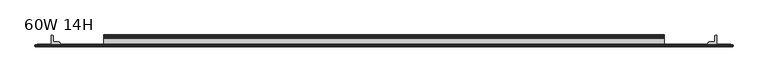
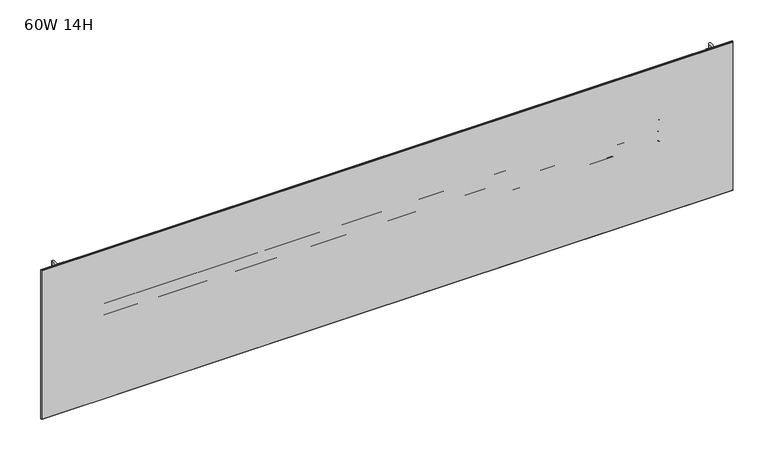
"""IFC4 building model written with IfcOpenShell, lengths in millimetres: furniture geometry, 60W 14H."""

from ifc_helpers import new_model, si_unit, point, frame, frame_2d, origin, place, context, project, spatial, polyline, circle_curve, trimmed, segment, composite_curve, outline, extrude, faceted_brep, source, transform, mapped, element, save


def furniture_60w_14h_a42dd42c(model_context):
    return source(origin(), model_context, "Body", "SolidModel", [
        extrude(outline(composite_curve([segment(polyline([(-5.2324, 1512.9838044), (-5.2324, 1534.1023302)]), True, "CONTINUOUS"), segment(trimmed(circle_curve(frame_2d((-4.677496, 1534.1023302)), 0.554904), [point((-5.2324, 1534.1023302))], [point((-4.5338691, 1534.6383245))], False, "CARTESIAN"), True, "CONTINUOUS"), segment(polyline([(-4.5338691, 1534.6383245), (-3.3274001, 1534.3150349), (-2.3976956, 1533.3853678), (-2.0574001, 1532.1153145), (-2.0574001, 1519.3455299)]), True, "CONTINUOUS"), segment(trimmed(circle_curve(frame_2d((-1.4921701, 1519.3455299)), 0.5652299), [point((-2.0574001, 1519.3455299))], [point((-1.4921701, 1518.7803))], True, "CARTESIAN"), True, "CONTINUOUS"), segment(polyline([(-1.4921701, 1518.7803), (0.5143951, 1518.7803)]), True, "CONTINUOUS"), segment(trimmed(circle_curve(frame_2d((0.5143951, 1518.1770951)), 0.6032049), [point((0.5143951, 1518.7803))], [point((1.1176, 1518.1770951))], False, "CARTESIAN"), True, "CONTINUOUS"), segment(polyline([(1.1176, 1518.1770951), (1.1176, 1487.0624914)]), True, "CONTINUOUS"), segment(trimmed(circle_curve(frame_2d((0.6637885, 1489.7516964)), 2.7272272), [point((1.1176, 1487.0624914))], [point((-2.0574001, 1489.5703097))], False, "CARTESIAN"), True, "CONTINUOUS"), segment(polyline([(-2.0574001, 1489.5703097), (-2.0574001, 1511.8860586)]), True, "CONTINUOUS"), segment(trimmed(circle_curve(frame_2d((-2.6016657, 1511.8860586)), 0.5442657), [point((-2.0574001, 1511.8860586))], [point((-2.6016657, 1512.4303242))], True, "CARTESIAN"), True, "CONTINUOUS"), segment(polyline([(-2.6016657, 1512.4303242), (-4.6789199, 1512.4303242)]), True, "CONTINUOUS"), segment(trimmed(circle_curve(frame_2d((-4.6789199, 1512.9838044)), 0.5534801), [point((-4.6789199, 1512.4303242))], [point((-5.2324, 1512.9838044))], False, "CARTESIAN"), True, "CONTINUOUS")], self_intersect=False)), frame((152.4, 0.0, 0.0), z_axis=(1.0, 0.0, 0.0), x_axis=(0.0, 1.0, 0.0)), (0.0, 0.0, 1.0), 1219.2),
        extrude(outline(composite_curve([segment(polyline([(-7.1373999, 1566.4053), (-4.5974, 1565.7247456), (-2.7379909, 1563.8653388), (-2.0574001, 1561.3253048), (-2.0574001, 1539.711622)]), True, "CONTINUOUS"), segment(trimmed(circle_curve(frame_2d((-1.4969277, 1539.711622)), 0.5604724), [point((-2.0574001, 1539.711622))], [point((-1.4969277, 1539.1511496))], True, "CARTESIAN"), True, "CONTINUOUS"), segment(polyline([(-1.4969277, 1539.1511496), (0.4039455, 1539.1511496)]), True, "CONTINUOUS"), segment(trimmed(circle_curve(frame_2d((0.4039455, 1538.4374952)), 0.7136544), [point((0.4039455, 1539.1511496))], [point((1.1176, 1538.4374952))], False, "CARTESIAN"), True, "CONTINUOUS"), segment(polyline([(1.1176, 1538.4374952), (1.1176, 1520.0813562)]), True, "CONTINUOUS"), segment(trimmed(circle_curve(frame_2d((0.4746932, 1520.0813562)), 0.6429068), [point((1.1176, 1520.0813562))], [point((-0.1003385, 1519.7938364))], False, "CARTESIAN"), True, "CONTINUOUS"), segment(polyline([(-0.1003385, 1519.7938364), (-1.8183367, 1523.2297852)]), True, "CONTINUOUS"), segment(trimmed(circle_curve(frame_2d((0.2069874, 1524.2424613)), 2.2643874), [point((-1.8183367, 1523.2297852))], [point((-2.0574001, 1524.2424613))], False, "CARTESIAN"), True, "CONTINUOUS"), segment(polyline([(-2.0574001, 1524.2424613), (-2.0574001, 1533.9181396)]), True, "CONTINUOUS"), segment(trimmed(circle_curve(frame_2d((-2.7946089, 1533.9181396)), 0.7372088), [point((-2.0574001, 1533.9181396))], [point((-2.7946089, 1534.6553484))], True, "CARTESIAN"), True, "CONTINUOUS"), segment(polyline([(-2.7946089, 1534.6553484), (-19.4564001, 1534.6553484), (-19.4564001, 1566.4053), (-7.1373999, 1566.4053)]), True, "CONTINUOUS")], self_intersect=False), holes=[composite_curve([segment(trimmed(circle_curve(frame_2d((-13.0222745, 1561.114213)), 2.7511257), [point((-13.0222745, 1563.8653388))], [point((-15.7734002, 1561.114213))], True, "CARTESIAN"), True, "CONTINUOUS"), segment(polyline([(-15.7734002, 1561.114213), (-15.7734002, 1539.7793649)]), True, "CONTINUOUS"), segment(trimmed(circle_curve(frame_2d((-13.189345, 1539.7793649)), 2.5840552), [point((-15.7734002, 1539.7793649))], [point((-13.189345, 1537.1953097))], True, "CARTESIAN"), True, "CONTINUOUS"), segment(polyline([(-13.189345, 1537.1953097), (-7.4218653, 1537.1953097)]), True, "CONTINUOUS"), segment(trimmed(circle_curve(frame_2d((-7.4218653, 1540.0197749)), 2.8244652), [point((-7.4218653, 1537.1953097))], [point((-4.5974, 1540.0197749))], True, "CARTESIAN"), True, "CONTINUOUS"), segment(polyline([(-4.5974, 1540.0197749), (-4.5974, 1561.188195)]), True, "CONTINUOUS"), segment(trimmed(circle_curve(frame_2d((-7.2745438, 1561.188195)), 2.6771438), [point((-4.5974, 1561.188195))], [point((-7.2745438, 1563.8653388))], True, "CARTESIAN"), True, "CONTINUOUS"), segment(polyline([(-7.2745438, 1563.8653388), (-13.0222745, 1563.8653388)]), True, "CONTINUOUS")], self_intersect=False)]), frame((152.4, 0.0, 0.0), z_axis=(1.0, 0.0, 0.0), x_axis=(0.0, 1.0, 0.0)), (0.0, 0.0, 1.0), 1219.2),
        extrude(outline(composite_curve([segment(trimmed(circle_curve(frame_2d((1485.3524764, -18.9088765)), 0.5475236), [point((1485.9, -18.9088765))], [point((1485.3524764, -19.4564001))], False, "CARTESIAN"), True, "CONTINUOUS"), segment(polyline([(1485.3524764, -19.4564001), (1467.4113866, -19.4564001)]), True, "CONTINUOUS"), segment(trimmed(circle_curve(frame_2d((1467.4113866, -18.8950135)), 0.5613866), [point((1467.4113866, -19.4564001))], [point((1466.85, -18.8950135))], False, "CARTESIAN"), True, "CONTINUOUS"), segment(polyline([(1466.85, -18.8950135), (1466.85, -16.8669745)]), True, "CONTINUOUS"), segment(trimmed(circle_curve(frame_2d((1469.4294745, -16.8669745)), 2.5794745), [point((1466.85, -16.8669745))], [point((1469.4294745, -14.2875))], False, "CARTESIAN"), True, "CONTINUOUS"), segment(polyline([(1469.4294745, -14.2875), (1480.4787912, -14.2875)]), True, "CONTINUOUS"), segment(trimmed(circle_curve(frame_2d((1480.4787912, -13.6414903)), 0.6460097), [point((1480.4787912, -14.2875))], [point((1481.1248009, -13.6414903))], True, "CARTESIAN"), True, "CONTINUOUS"), segment(polyline([(1481.1248009, -13.6414903), (1481.1248009, -2.768893)]), True, "CONTINUOUS"), segment(trimmed(circle_curve(frame_2d((1483.8936939, -2.768893)), 2.768893), [point((1481.1248009, -2.768893))], [point((1483.8936939, 0.0))], False, "CARTESIAN"), True, "CONTINUOUS"), segment(polyline([(1483.8936939, 0.0), (1485.3082199, 0.0)]), True, "CONTINUOUS"), segment(trimmed(circle_curve(frame_2d((1485.3082199, -0.5917801)), 0.5917801), [point((1485.3082199, 0.0))], [point((1485.9, -0.5917801))], False, "CARTESIAN"), True, "CONTINUOUS"), segment(polyline([(1485.9, -0.5917801), (1485.9, -18.9088765)]), True, "CONTINUOUS")], self_intersect=False)), frame((0.0, 0.0, 1362.329), z_axis=(0.0, 0.0, 1.0), x_axis=(1.0, 0.0, 0.0)), (0.0, 0.0, 1.0), 336.5373),
        extrude(outline(composite_curve([segment(polyline([(38.1, -18.9088765), (38.1, -0.5917801)]), True, "CONTINUOUS"), segment(trimmed(circle_curve(frame_2d((38.6917801, -0.5917801)), 0.5917801), [point((38.1, -0.5917801))], [point((38.6917801, 0.0))], False, "CARTESIAN"), True, "CONTINUOUS"), segment(polyline([(38.6917801, 0.0), (40.1063061, 0.0)]), True, "CONTINUOUS"), segment(trimmed(circle_curve(frame_2d((40.1063061, -2.768893)), 2.768893), [point((40.1063061, 0.0))], [point((42.8751991, -2.768893))], False, "CARTESIAN"), True, "CONTINUOUS"), segment(polyline([(42.8751991, -2.768893), (42.8751991, -13.6414903)]), True, "CONTINUOUS"), segment(trimmed(circle_curve(frame_2d((43.5212088, -13.6414903)), 0.6460097), [point((42.8751991, -13.6414903))], [point((43.5212088, -14.2875))], True, "CARTESIAN"), True, "CONTINUOUS"), segment(polyline([(43.5212088, -14.2875), (54.5705255, -14.2875)]), True, "CONTINUOUS"), segment(trimmed(circle_curve(frame_2d((54.5705255, -16.8669745)), 2.5794745), [point((54.5705255, -14.2875))], [point((57.15, -16.8669745))], False, "CARTESIAN"), True, "CONTINUOUS"), segment(polyline([(57.15, -16.8669745), (57.15, -18.8950135)]), True, "CONTINUOUS"), segment(trimmed(circle_curve(frame_2d((56.5886134, -18.8950135)), 0.5613866), [point((57.15, -18.8950135))], [point((56.5886134, -19.4564001))], False, "CARTESIAN"), True, "CONTINUOUS"), segment(polyline([(56.5886134, -19.4564001), (38.6475236, -19.4564001)]), True, "CONTINUOUS"), segment(trimmed(circle_curve(frame_2d((38.6475236, -18.9088765)), 0.5475236), [point((38.6475236, -19.4564001))], [point((38.1, -18.9088765))], False, "CARTESIAN"), True, "CONTINUOUS")], self_intersect=False)), frame((0.0, 0.0, 1362.329), z_axis=(0.0, 0.0, 1.0), x_axis=(1.0, 0.0, 0.0)), (0.0, 0.0, 1.0), 336.5373),
        extrude(outline(polyline([(1516.6975002, -20.0634601), (7.3024998, -20.0634601), (7.3024998, -19.4564001), (1516.6975002, -19.4564001), (1516.6975002, -20.0634601)])), frame((0.0, 0.0, 1362.329), z_axis=(0.0, 0.0, 1.0), x_axis=(1.0, 0.0, 0.0)), (0.0, 0.0, 1.0), 336.5373),
        faceted_brep([(1521.4600024, -24.0512595, 1703.6288), (1521.4600024, -20.8508598, 1703.6288), (2.5400001, -20.8508598, 1703.6288), (2.5400001, -24.0512595, 1703.6288), (2.5400001, -24.0512595, 1357.5538), (2.5400001, -20.8508598, 1357.5538), (1521.4600024, -20.8508598, 1357.5538), (1521.4600024, -24.0512595, 1357.5538), (3.3274521, -24.8386592, 1702.8413481), (3.3274521, -24.8386592, 1358.3412519), (1520.6725505, -24.8386592, 1358.3412519), (1520.6725505, -24.8386592, 1702.8413481), (3.3274521, -20.0634601, 1358.3412519), (3.3274521, -20.0634601, 1702.8413481), (1520.6725505, -20.0634601, 1702.8413481), (1520.6725505, -20.0634601, 1358.3412519)], [[[0, 1, 2, 3]], [[4, 5, 6, 7]], [[8, 9, 10, 11]], [[1, 0, 7, 6]], [[12, 13, 14, 15]], [[3, 2, 5, 4]], [[12, 5, 2, 13]], [[4, 9, 8, 3]], [[5, 12, 15, 6]], [[9, 4, 7, 10]], [[6, 15, 14, 1]], [[10, 7, 0, 11]], [[13, 2, 1, 14]], [[3, 8, 11, 0]]]),
    ])


if __name__ == "__main__":
    model = new_model("IFC4")
    model_context = context("Model", 3, world=origin())
    ifc_project = project(units=[si_unit("LENGTHUNIT", "METRE", prefix="MILLI")], contexts=[model_context])
    site = spatial("IfcSite", under=ifc_project)
    building = spatial("IfcBuilding", under=site)
    placement = place(None, origin())
    furniture_60w_14h_shape = furniture_60w_14h_a42dd42c(model_context)
    element("IfcFurniture", 1, ObjectType="60W 14H", at=placement, inside=building, context=model_context, shape_type="MappedRepresentation", body=[
        mapped(furniture_60w_14h_shape, transform((0.0, 0.0, 0.0), x_axis=(1.0, 0.0, 0.0), y_axis=(0.0, 1.0, 0.0), z_axis=(0.0, 0.0, 1.0))),
    ])
    save(model, "model.ifc")
